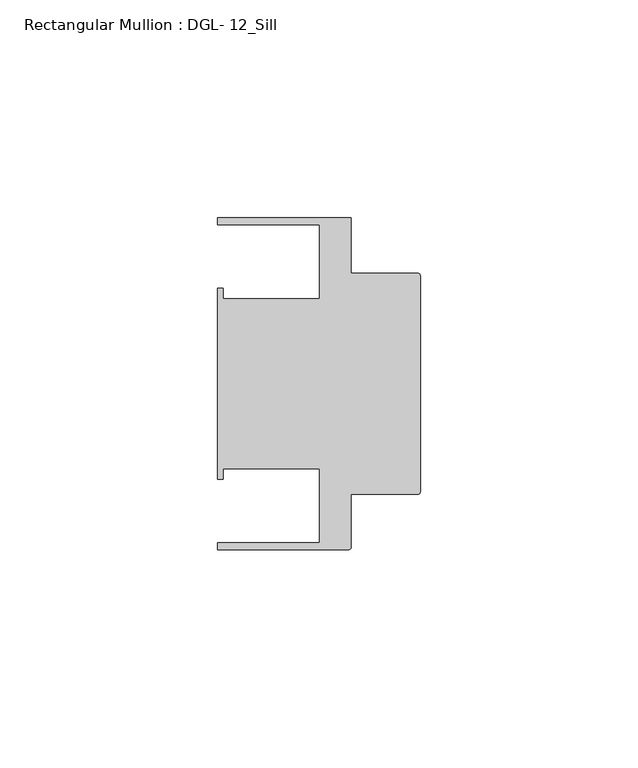
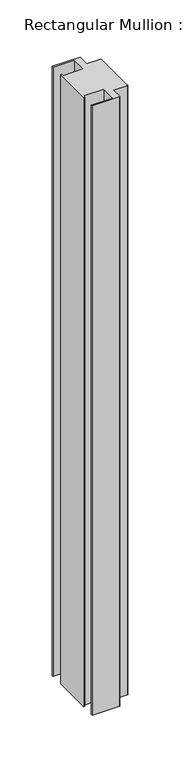
"""IFC4 building model written with IfcOpenShell, lengths in millimetres: member geometry, Rectangular Mullion : DGL- 12_Sill."""

from ifc_helpers import new_model, si_unit, point, frame, frame_2d, origin, place, context, project, spatial, polyline, circle_curve, trimmed, segment, composite_curve, outline, extrude, source, transform, mapped, element, save


def rectangular_mullion_dgl_12_sill_75f71f7d(model_context):
    return source(origin(), model_context, "Body", "SweptSolid", [
        extrude(outline(composite_curve([segment(trimmed(circle_curve(frame_2d((-0.5953125, 24.8046875)), 0.5953125), [point((-0.5953125, 25.4))], [point((0.0, 24.8046875))], False, "CARTESIAN"), True, "CONTINUOUS"), segment(polyline([(0.0, 24.8046875), (0.0, -24.8046875)]), True, "CONTINUOUS"), segment(trimmed(circle_curve(frame_2d((-0.5953125, -24.8046875)), 0.5953125), [point((0.0, -24.8046875))], [point((-0.5953125, -25.4))], False, "CARTESIAN"), True, "CONTINUOUS"), segment(polyline([(-0.5953125, -25.4), (-15.8750672, -25.4), (-15.8750672, -37.5047035)]), True, "CONTINUOUS"), segment(trimmed(circle_curve(frame_2d((-16.4703797, -37.5047035)), 0.5953125), [point((-15.8750672, -37.5047035))], [point((-16.4703797, -38.100016))], False, "CARTESIAN"), True, "CONTINUOUS"), segment(polyline([(-16.4703797, -38.100016), (-46.54296, -38.100016), (-46.54296, -36.512516), (-23.1202791, -36.512516), (-23.1202791, -19.4824275), (-45.2865266, -19.4824275), (-45.2865266, -21.9710976), (-46.54296, -21.9710976), (-46.54296, 21.9710976), (-45.2865266, 21.9710976), (-45.2865266, 19.4824275), (-23.1202791, 19.4824275), (-23.1202791, 36.512516), (-46.54296, 36.512516), (-46.54296, 38.0996792), (-15.8750672, 38.0996792), (-15.8750672, 25.4), (-0.5953125, 25.4)]), True, "CONTINUOUS")], self_intersect=False)), frame((0.0, 0.0, -711.2), z_axis=(0.0, 0.0, 1.0), x_axis=(1.0, 0.0, 0.0)), (0.0, 0.0, 1.0), 711.2),
    ])


if __name__ == "__main__":
    model = new_model("IFC4")
    model_context = context("Model", 3, world=origin())
    ifc_project = project(units=[si_unit("LENGTHUNIT", "METRE", prefix="MILLI")], contexts=[model_context])
    site = spatial("IfcSite", under=ifc_project)
    building = spatial("IfcBuilding", under=site)
    placement = place(None, origin())
    rectangular_mullion_dgl_12_sill_shape = rectangular_mullion_dgl_12_sill_75f71f7d(model_context)
    element("IfcMember", 1, ObjectType="Rectangular Mullion : DGL- 12_Sill", at=placement, inside=building, context=model_context, shape_type="MappedRepresentation", body=[
        mapped(rectangular_mullion_dgl_12_sill_shape, transform((0.0, 0.0, 0.0), x_axis=(1.0, 0.0, 0.0), y_axis=(0.0, 1.0, 0.0), z_axis=(0.0, 0.0, 1.0))),
    ])
    save(model, "model.ifc")
